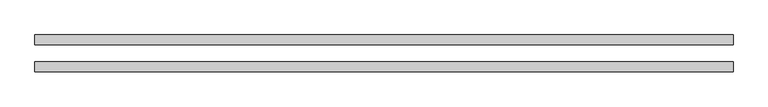
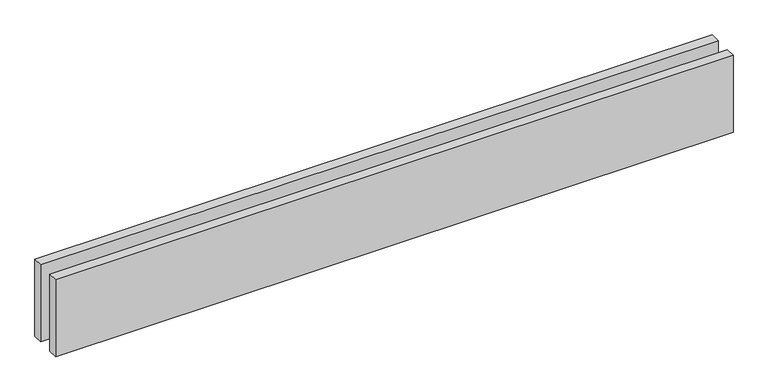
"""IFC4 building model written with IfcOpenShell, lengths in millimetres: proxy geometry."""

from ifc_helpers import new_model, si_unit, origin, origin_with_axes, place, context, project, spatial, polyline, outline, extrude, source, transform, mapped, element, save


def generic_models_32ddeae5(model_context):
    return source(origin(), model_context, "Body", "SweptSolid", [
        extrude(outline(polyline([(2081.9040124, -25.0), (2081.9040124, -55.0), (0.0, -55.0), (0.0, -25.0), (2081.9040124, -25.0)])), origin_with_axes(), (0.0, 0.0, 1.0), 250.0),
        extrude(outline(polyline([(2081.9040124, 55.0), (2081.9040124, 25.0), (0.0, 25.0), (0.0, 55.0), (2081.9040124, 55.0)])), origin_with_axes(), (0.0, 0.0, 1.0), 250.0),
    ])


if __name__ == "__main__":
    model = new_model("IFC4")
    model_context = context("Model", 3, world=origin())
    ifc_project = project(units=[si_unit("LENGTHUNIT", "METRE", prefix="MILLI")], contexts=[model_context])
    site = spatial("IfcSite", under=ifc_project)
    building = spatial("IfcBuilding", under=site)
    placement = place(None, origin())
    generic_models_shape = generic_models_32ddeae5(model_context)
    element("IfcBuildingElementProxy", 1, Name="Generic Models", at=placement, inside=building, context=model_context, shape_type="MappedRepresentation", body=[
        mapped(generic_models_shape, transform((0.0, 0.0, 0.0), x_axis=(1.0, 0.0, 0.0), y_axis=(0.0, 1.0, 0.0), z_axis=(0.0, 0.0, 1.0))),
    ])
    save(model, "model.ifc")
